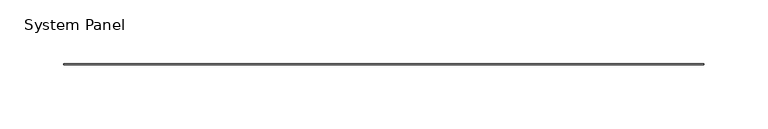
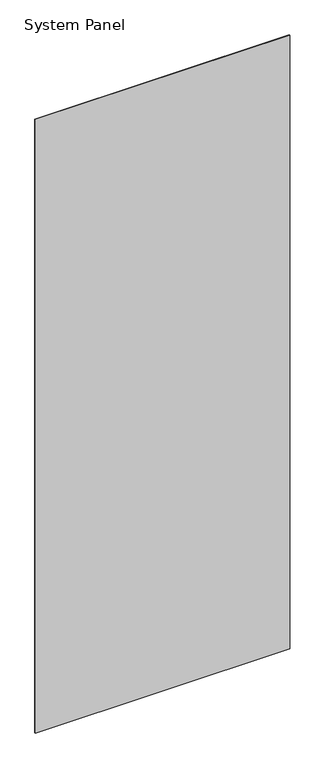
"""IFC4 building model written with IfcOpenShell, lengths in millimetres: plate geometry, System Panel."""

from ifc_helpers import new_model, si_unit, origin, origin_with_axes, place, context, project, spatial, polyline, outline, extrude, source, transform, mapped, element, save


def system_panel_aff0cdca(model_context):
    return source(origin(), model_context, "Body", "SweptSolid", [
        extrude(outline(polyline([(252.2855, -0.4960937), (-252.2855, -0.4960937), (-252.2855, 0.4960938), (252.2855, 0.4960938), (252.2855, -0.4960937)])), origin_with_axes(), (0.0, 0.0, 1.0), 1285.875),
    ])


if __name__ == "__main__":
    model = new_model("IFC4")
    model_context = context("Model", 3, world=origin())
    ifc_project = project(units=[si_unit("LENGTHUNIT", "METRE", prefix="MILLI")], contexts=[model_context])
    site = spatial("IfcSite", under=ifc_project)
    building = spatial("IfcBuilding", under=site)
    placement = place(None, origin())
    system_panel_shape = system_panel_aff0cdca(model_context)
    element("IfcPlate", 1, ObjectType="System Panel", at=placement, inside=building, context=model_context, shape_type="MappedRepresentation", body=[
        mapped(system_panel_shape, transform((0.0, 0.0, 0.0), x_axis=(1.0, 0.0, 0.0), y_axis=(0.0, 1.0, 0.0), z_axis=(0.0, 0.0, 1.0))),
    ])
    save(model, "model.ifc")
